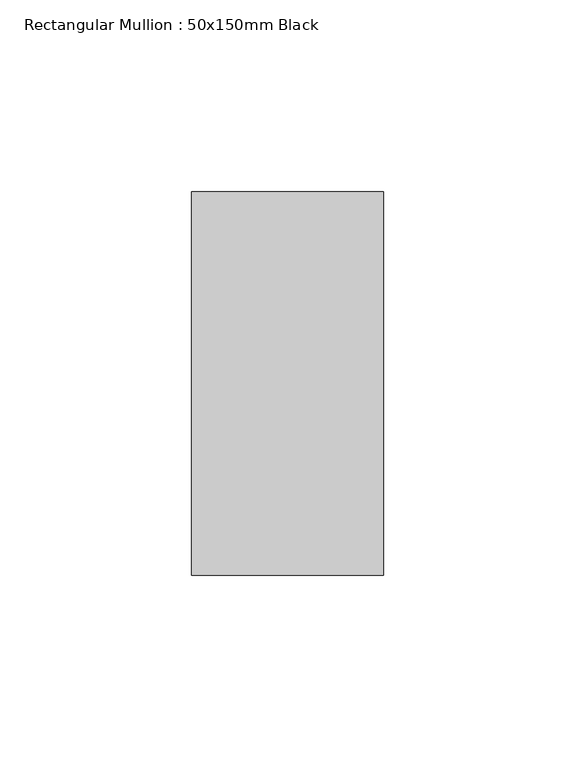
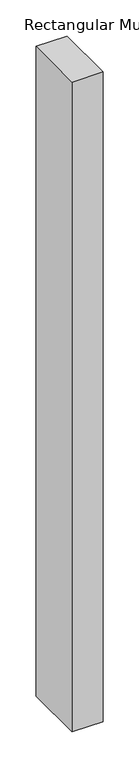
"""IFC4 building model written with IfcOpenShell, lengths in millimetres: member geometry, Rectangular Mullion : 50x150mm Black."""

from ifc_helpers import new_model, si_unit, frame, origin, place, context, project, spatial, polyline, outline, extrude, source, transform, mapped, element, save


def rectangular_mullion_50x150mm_black_92cae3c8(model_context):
    return source(origin(), model_context, "Body", "SweptSolid", [
        extrude(outline(polyline([(0.0, 50.0), (0.0, -50.0), (-50.0, -50.0), (-50.0, 50.0), (0.0, 50.0)])), frame((0.0, 0.0, -1100.0), z_axis=(0.0, 0.0, 1.0), x_axis=(1.0, 0.0, 0.0)), (0.0, 0.0, 1.0), 1100.0),
    ])


if __name__ == "__main__":
    model = new_model("IFC4")
    model_context = context("Model", 3, world=origin())
    ifc_project = project(units=[si_unit("LENGTHUNIT", "METRE", prefix="MILLI")], contexts=[model_context])
    site = spatial("IfcSite", under=ifc_project)
    building = spatial("IfcBuilding", under=site)
    placement = place(None, origin())
    rectangular_mullion_50x150mm_black_shape = rectangular_mullion_50x150mm_black_92cae3c8(model_context)
    element("IfcMember", 1, ObjectType="Rectangular Mullion : 50x150mm Black", at=placement, inside=building, context=model_context, shape_type="MappedRepresentation", body=[
        mapped(rectangular_mullion_50x150mm_black_shape, transform((0.0, 0.0, 0.0), x_axis=(1.0, 0.0, 0.0), y_axis=(0.0, 1.0, 0.0), z_axis=(0.0, 0.0, 1.0))),
    ])
    save(model, "model.ifc")
